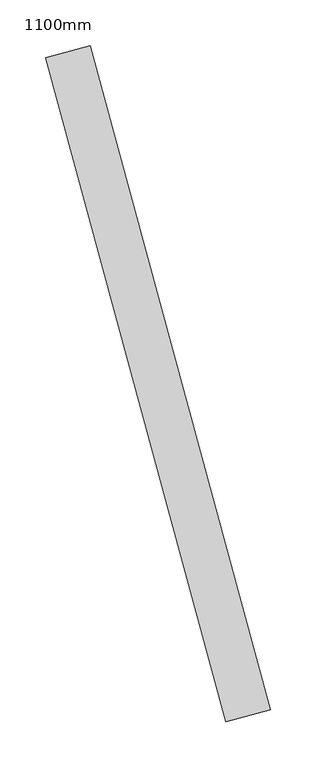
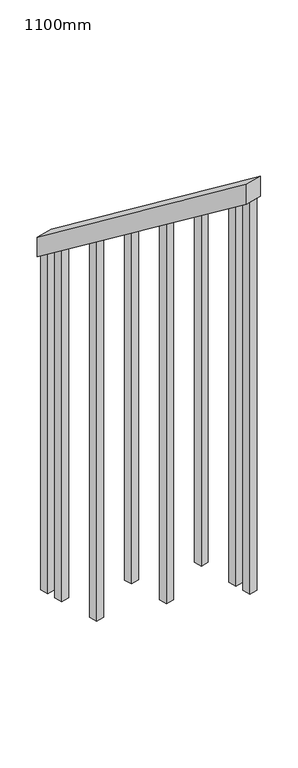
"""IFC4 building model written with IfcOpenShell, lengths in millimetres: railing geometry, 1100mm."""

from ifc_helpers import new_model, si_unit, frame, origin, place, context, project, spatial, polyline, outline, extrude, source, transform, mapped, element, save


def railing_1100mm_47e4bb87(model_context):
    return source(origin(), model_context, "Body", "SweptSolid", [
        extrude(outline(polyline([(35.5555555, -50.0), (0.0, 0.0), (920.2958462, 0.0), (955.8514017, -49.9999999), (35.5555555, -50.0)])), frame((250275.5976158, 53064.3874149, 1216.4247214), z_axis=(0.9649894123601869, 0.26228883703417755, 0.0), x_axis=(0.2137536843159486, -0.7864232597554053, 0.5795237863600081)), (0.0, 0.0, 1.0), 50.0),
        extrude(outline(polyline([(1271.980277, 25.0), (1271.980277, 0.0), (91.1111112, 0.0), (108.8888889, 25.0), (1271.980277, 25.0)])), frame((250471.2621694, 52392.1734367, 1805.3136103), z_axis=(0.964989412360187, 0.26228883703417755, 0.0), x_axis=(0.0, 0.0, -1.0)), (0.0, 0.0, 1.0), 25.0),
        extrude(outline(polyline([(1183.0913881, 25.0), (1183.0913881, 0.0), (91.1111111, 0.0), (108.8888889, 25.0), (1183.0913881, 25.0)])), frame((250438.4760647, 52512.7971133, 1716.4247214), z_axis=(0.964989412360187, 0.26228883703417755, 0.0), x_axis=(0.0, 0.0, -1.0)), (0.0, 0.0, 1.0), 25.0),
        extrude(outline(polyline([(1271.9802769, 25.0), (1271.9802769, 0.0), (91.1111111, 0.0), (108.8888889, 25.0), (1271.9802769, 25.0)])), frame((250405.6899601, 52633.4207898, 1627.5358325), z_axis=(0.964989412360187, 0.26228883703417755, 0.0), x_axis=(0.0, 0.0, -1.0)), (0.0, 0.0, 1.0), 25.0),
        extrude(outline(polyline([(1183.091388, 25.0), (1183.091388, 0.0), (91.1111111, 0.0), (108.8888889, 25.0), (1183.091388, 25.0)])), frame((250372.9038555, 52754.0444664, 1538.6469436), z_axis=(0.964989412360187, 0.26228883703417755, 0.0), x_axis=(0.0, 0.0, -1.0)), (0.0, 0.0, 1.0), 25.0),
        extrude(outline(polyline([(1271.9802769, 25.0), (1271.9802769, 0.0), (91.1111111, 0.0), (108.8888889, 25.0), (1271.9802769, 25.0)])), frame((250340.1177508, 52874.6681429, 1449.7580547), z_axis=(0.964989412360187, 0.26228883703417755, 0.0), x_axis=(0.0, 0.0, -1.0)), (0.0, 0.0, 1.0), 25.0),
        extrude(outline(polyline([(1183.091388, 25.0000001), (1183.091388, 0.0), (91.1111111, 0.0), (108.8888889, 25.0000001), (1183.091388, 25.0000001)])), frame((250307.3316462, 52995.2918194, 1360.8691658), z_axis=(0.964989412360187, 0.26228883703417755, 0.0), x_axis=(0.0, 0.0, -1.0)), (0.0, 0.0, 1.0), 25.0),
        extrude(outline(polyline([(1307.5358325, 25.0), (1307.5358325, 0.0), (91.1111111, 0.0), (108.8888889, 25.0), (1307.5358325, 25.0)])), frame((250484.3766112, 52343.9239661, 1840.8691658), z_axis=(0.964989412360187, 0.26228883703417755, 0.0), x_axis=(0.0, 0.0, -1.0)), (0.0, 0.0, 1.0), 25.0),
        extrude(outline(polyline([(1147.5358325, 25.0), (1147.5358325, 0.0), (91.1111112, 0.0), (108.8888889, 25.0), (1147.5358325, 25.0)])), frame((250294.2172044, 53043.5412901, 1325.3136103), z_axis=(0.964989412360187, 0.26228883703417755, 0.0), x_axis=(0.0, 0.0, -1.0)), (0.0, 0.0, 1.0), 25.0),
    ])


if __name__ == "__main__":
    model = new_model("IFC4")
    model_context = context("Model", 3, world=origin())
    ifc_project = project(units=[si_unit("LENGTHUNIT", "METRE", prefix="MILLI")], contexts=[model_context])
    site = spatial("IfcSite", under=ifc_project)
    building = spatial("IfcBuilding", under=site)
    placement = place(None, origin())
    railing_1100mm_shape = railing_1100mm_47e4bb87(model_context)
    element("IfcRailing", 1, ObjectType="1100mm", at=placement, inside=building, context=model_context, shape_type="MappedRepresentation", body=[
        mapped(railing_1100mm_shape, transform((0.0, 0.0, 0.0), x_axis=(1.0, 0.0, 0.0), y_axis=(0.0, 1.0, 0.0), z_axis=(0.0, 0.0, 1.0))),
    ])
    save(model, "model.ifc")
